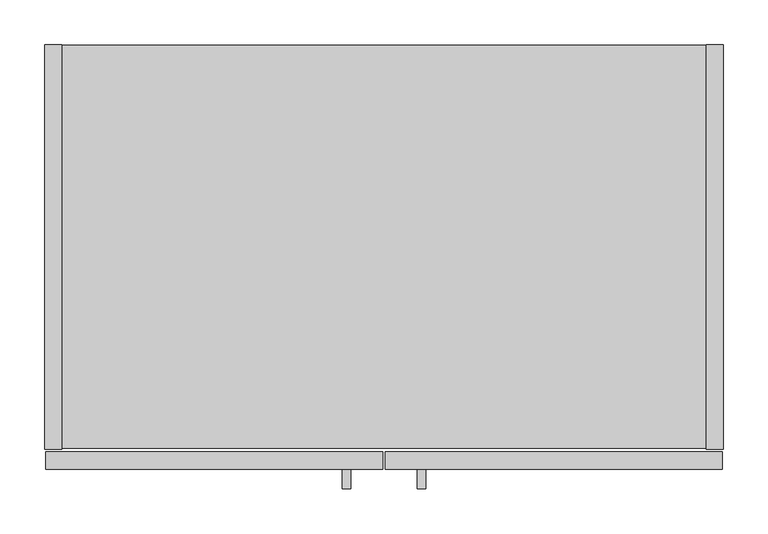
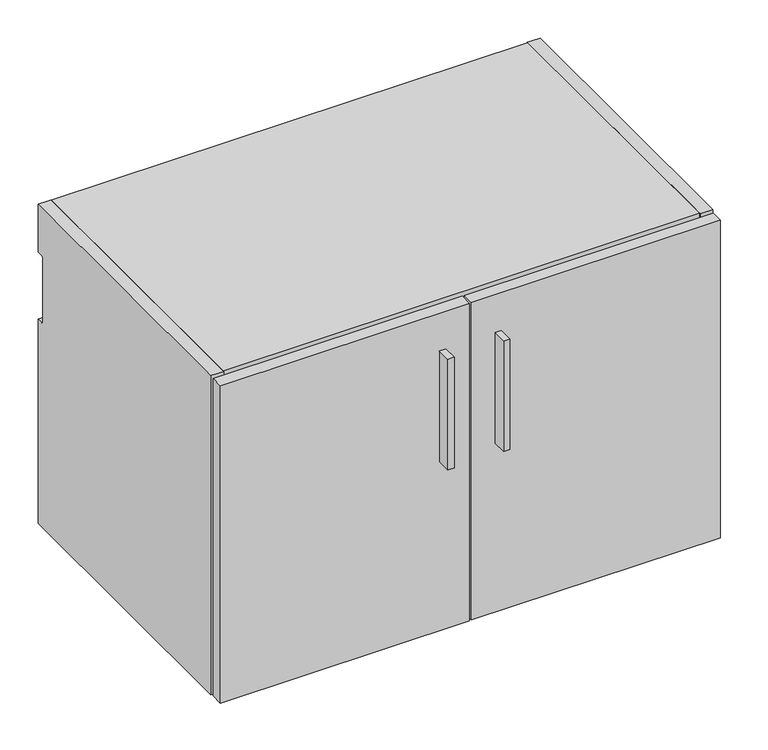
"""IFC4 building model written with IfcOpenShell, lengths in millimetres: furniture geometry."""

import ifcopenshell
import ifcopenshell.guid

model = None  # the IFC model being written
_history = None  # IfcOwnerHistory: only IFC2X3 demands one
_inside = {}  # id of a spatial element -> (the spatial element, [elements in it])
_under = {}  # id of a project, library or spatial element -> (it, [spatial elements below it])
_declared = {}  # id of a project -> (the project, [libraries it declares])
_typed = {}  # id of a type object -> (the type object, [elements of that type])
_made_of = {}  # id of a material, layer set ... -> (it, [elements and type objects made of it])


def new_model(schema):
    """Start an empty IFC model of exactly this schema.

    Asked for "IFC4X3", IfcOpenShell would pick the latest addendum, in which some entities
    have other attributes; the version numbers below select the first issue.
    IFC2X3 requires an IfcOwnerHistory on every rooted entity: one is made here for all.
    """
    global model, _history
    if schema == "IFC4X3":
        model = ifcopenshell.file(schema_version=(4, 3, 0, 0))
    else:
        model = ifcopenshell.file(schema=schema)
    _inside.clear()
    _under.clear()
    _declared.clear()
    _typed.clear()
    _made_of.clear()
    _history = None
    if model.schema == "IFC2X3":
        org = make("IfcOrganization", Name="unknown")
        user = make(
            "IfcPersonAndOrganization",
            ThePerson=make("IfcPerson", FamilyName="unknown"),
            TheOrganization=org,
        )
        app = make(
            "IfcApplication",
            ApplicationDeveloper=org,
            Version="unknown",
            ApplicationFullName="unknown",
            ApplicationIdentifier="unknown",
        )
        _history = make(
            "IfcOwnerHistory",
            OwningUser=user,
            OwningApplication=app,
            ChangeAction="ADDED",
            CreationDate=0,
        )
    return model


def make(cls, **values):
    """One entity of the class cls with the attributes given. An attribute that is None is left unset."""
    return model.create_entity(
        cls, **{name: value for name, value in values.items() if value is not None}
    )


def rooted(cls, **values):
    """An entity with a GlobalId (a new one), such as an element, a storey or a relation."""
    return make(cls, GlobalId=ifcopenshell.guid.new(), OwnerHistory=_history, **values)


def si_unit(unit_type, name, prefix=None):
    """IfcSIUnit, for example si_unit("LENGTHUNIT", "METRE", prefix="MILLI")."""
    return make("IfcSIUnit", UnitType=unit_type, Prefix=prefix, Name=name)


def assignment(units):
    """IfcUnitAssignment: the units of a project."""
    return None if units is None else make("IfcUnitAssignment", Units=units)


def point(xyz):
    """IfcCartesianPoint."""
    return None if xyz is None else make("IfcCartesianPoint", Coordinates=xyz)


def direction(xyz):
    """IfcDirection."""
    return None if xyz is None else make("IfcDirection", DirectionRatios=xyz)


def frame(location, z_axis=None, x_axis=None):
    """IfcAxis2Placement3D, a coordinate frame: its origin and axes. An axis left out is left unset."""
    return make(
        "IfcAxis2Placement3D",
        Location=point(location),
        Axis=direction(z_axis),
        RefDirection=direction(x_axis),
    )


def frame_2d(location, x_axis=None):
    """IfcAxis2Placement2D, a coordinate frame in the plane: its origin and x axis."""
    return make(
        "IfcAxis2Placement2D", Location=point(location), RefDirection=direction(x_axis)
    )


def origin():
    """The frame at (0, 0, 0) with its axes left unset."""
    return frame((0.0, 0.0, 0.0))


def place(relative_to, where):
    """IfcLocalPlacement: puts the frame where relative to a parent placement (None: the world)."""
    return make(
        "IfcLocalPlacement", PlacementRelTo=relative_to, RelativePlacement=where
    )


def context(
    kind, dimensions, precision=None, world=None, true_north=None, identifier=None
):
    """IfcGeometricRepresentationContext, for example the 3D "Model" context."""
    return make(
        "IfcGeometricRepresentationContext",
        ContextIdentifier=identifier,
        ContextType=kind,
        CoordinateSpaceDimension=dimensions,
        Precision=precision,
        WorldCoordinateSystem=world,
        TrueNorth=true_north,
    )


def project(units=None, contexts=None):
    """IfcProject with its units and contexts."""
    return rooted(
        "IfcProject",
        Name="project",
        RepresentationContexts=contexts,
        UnitsInContext=assignment(units),
    )


def spatial(cls, under=None, at=None, **own):
    """A site, building, storey or space (cls), placed at a placement, below another one or the project."""
    s = rooted(cls, ObjectPlacement=at, **own)
    if under is not None:
        _under.setdefault(under.id(), (under, []))[1].append(s)
    return s


def polyline(points):
    """IfcPolyline through the points."""
    return make("IfcPolyline", Points=[point(p) for p in points])


def circle_curve(where, radius):
    """IfcCircle in the frame where."""
    return make("IfcCircle", Position=where, Radius=radius)


def trimmed(basis, trim1, trim2, sense, master):
    """IfcTrimmedCurve: the piece of a basis curve between two trims."""
    return make(
        "IfcTrimmedCurve",
        BasisCurve=basis,
        Trim1=trim1,
        Trim2=trim2,
        SenseAgreement=sense,
        MasterRepresentation=master,
    )


def segment(curve, same_sense, transition):
    """IfcCompositeCurveSegment."""
    return make(
        "IfcCompositeCurveSegment",
        Transition=transition,
        SameSense=same_sense,
        ParentCurve=curve,
    )


def composite_curve(segments, self_intersect=None):
    """IfcCompositeCurve: segments joined end to end."""
    return make("IfcCompositeCurve", Segments=segments, SelfIntersect=self_intersect)


def outline(outer, holes=None, kind="AREA"):
    """IfcArbitraryClosedProfileDef: a profile drawn as a closed curve; with holes, ...WithVoids."""
    if holes is None:
        return make("IfcArbitraryClosedProfileDef", ProfileType=kind, OuterCurve=outer)
    return make(
        "IfcArbitraryProfileDefWithVoids",
        ProfileType=kind,
        OuterCurve=outer,
        InnerCurves=holes,
    )


def extrude(swept, where, along, depth):
    """IfcExtrudedAreaSolid: the profile swept, set in the frame where, extruded along a direction by depth."""
    return make(
        "IfcExtrudedAreaSolid",
        SweptArea=swept,
        Position=where,
        ExtrudedDirection=direction(along),
        Depth=depth,
    )


def shape(context_of_items, identifier, shape_type, items):
    """IfcShapeRepresentation: the items that make up one representation, for example the "Body"."""
    return make(
        "IfcShapeRepresentation",
        ContextOfItems=context_of_items,
        RepresentationIdentifier=identifier,
        RepresentationType=shape_type,
        Items=items,
    )


def source(mapping_origin, context_of_items, identifier, shape_type, items):
    """IfcRepresentationMap: a shape defined once, which mapped items show again and again."""
    return make(
        "IfcRepresentationMap",
        MappingOrigin=mapping_origin,
        MappedRepresentation=shape(context_of_items, identifier, shape_type, items),
    )


def transform(
    local_origin,
    x_axis=None,
    y_axis=None,
    z_axis=None,
    scale=None,
    scale2=None,
    scale3=None,
    uniform=True,
):
    """IfcCartesianTransformationOperator3D, or its non-uniform kind. x_axis, y_axis, z_axis: its Axis1, 2, 3."""
    if uniform:
        return make(
            "IfcCartesianTransformationOperator3D",
            Axis1=direction(x_axis),
            Axis2=direction(y_axis),
            LocalOrigin=point(local_origin),
            Scale=scale,
            Axis3=direction(z_axis),
        )
    return make(
        "IfcCartesianTransformationOperator3DnonUniform",
        Axis1=direction(x_axis),
        Axis2=direction(y_axis),
        LocalOrigin=point(local_origin),
        Scale=scale,
        Axis3=direction(z_axis),
        Scale2=scale2,
        Scale3=scale3,
    )


def mapped(mapping_source, mapping_target):
    """IfcMappedItem: shows the shape of a source again, moved by a transform."""
    return make(
        "IfcMappedItem", MappingSource=mapping_source, MappingTarget=mapping_target
    )


def made_of(thing, what):
    """Note that an element or type object is made of a material, layer set ...; save() writes the relation."""
    if what is not None:
        _made_of.setdefault(what.id(), (what, []))[1].append(thing)
    return thing


def element(
    cls,
    number,
    at=None,
    inside=None,
    cuts=None,
    type_object=None,
    material=None,
    context=None,
    identifier="Body",
    shape_type=None,
    held_by="IfcProductDefinitionShape",
    body=None,
    shapes=None,
    **own,
):
    """One element of the class cls, such as IfcWall. Its Tag is "e" and its number.

    at: its placement. inside: the storey or other place that contains it. cuts: it is an
    opening in that element (IfcRelVoidsElement). A single representation is given by context,
    identifier, shape_type and body (its items); several are given by shapes. held_by: the class
    of the entity that holds the representations. save() writes the other relations.
    """
    e = rooted(cls, Tag="e%d" % number, ObjectPlacement=at, **own)
    if body is not None:
        shapes = [shape(context, identifier, shape_type, body)]
    if shapes is not None:
        e.Representation = make(held_by, Representations=shapes)
    if inside is not None:
        _inside.setdefault(inside.id(), (inside, []))[1].append(e)
    if cuts is not None:
        rooted(
            "IfcRelVoidsElement", RelatingBuildingElement=cuts, RelatedOpeningElement=e
        )
    if type_object is not None:
        _typed.setdefault(type_object.id(), (type_object, []))[1].append(e)
    return made_of(e, material)


def aggregate(whole, parts):
    """IfcRelAggregates: a whole, such as a stair, and the parts it consists of."""
    return rooted("IfcRelAggregates", RelatingObject=whole, RelatedObjects=parts)


def save(model, path):
    """Write the relations noted so far, then the file.

    IfcRelAggregates (storeys below a building ...), IfcRelContainedInSpatialStructure (elements
    in a storey), IfcRelDefinesByType, IfcRelAssociatesMaterial and IfcRelDeclares: one each for
    every whole, place, type object, material and project.
    """
    for whole, parts in _under.values():
        aggregate(whole, parts)
    for where, things in _inside.values():
        rooted(
            "IfcRelContainedInSpatialStructure",
            RelatedElements=things,
            RelatingStructure=where,
        )
    for kind, things in _typed.values():
        rooted("IfcRelDefinesByType", RelatedObjects=things, RelatingType=kind)
    for what, things in _made_of.values():
        rooted("IfcRelAssociatesMaterial", RelatedObjects=things, RelatingMaterial=what)
    for by, libraries in _declared.values():
        rooted("IfcRelDeclares", RelatingContext=by, RelatedDefinitions=libraries)
    model.write(path)


def furniture_f1e97ca4(model_context):
    return source(origin(), model_context, "Body", "SweptSolid", [
        extrude(outline(polyline([(343.5338631, -498.729), (334.0088631, -498.729), (334.0088631, -476.504), (343.5338631, -476.504), (343.5338631, -498.729)])), frame((0.0, 0.0, 596.9), z_axis=(0.0, 0.0, 1.0), x_axis=(1.0, 0.0, 0.0)), (0.0, 0.0, 1.0), 177.8),
        extrude(outline(polyline([(427.9888631, -498.729), (418.4638631, -498.729), (418.4638631, -476.504), (427.9888631, -476.504), (427.9888631, -498.729)])), frame((0.0, 0.0, 596.9), z_axis=(0.0, 0.0, 1.0), x_axis=(1.0, 0.0, 0.0)), (0.0, 0.0, 1.0), 177.8),
        extrude(outline(polyline([(379.4125, -476.504), (1.5875, -476.504), (1.5875, -457.2), (379.4125, -457.2), (379.4125, -476.504)])), frame((0.0, 0.0, 325.628), z_axis=(0.0, 0.0, 1.0), x_axis=(1.0, 0.0, 0.0)), (0.0, 0.0, 1.0), 509.397),
        extrude(outline(polyline([(760.4125, -476.504), (382.5875, -476.504), (382.5875, -457.2), (760.4125, -457.2), (760.4125, -476.504)])), frame((0.0, 0.0, 325.628), z_axis=(0.0, 0.0, 1.0), x_axis=(1.0, 0.0, 0.0)), (0.0, 0.0, 1.0), 509.397),
        extrude(outline(composite_curve([segment(polyline([(-454.025, 838.2), (0.0, 838.2), (0.0, 761.492), (-9.3963729, 761.492)]), True, "CONTINUOUS"), segment(trimmed(circle_curve(frame_2d((-9.3963729, 758.1883729)), 3.3036271), [point((-9.3963729, 761.492))], [point((-12.7, 758.1883729))], True, "CARTESIAN"), True, "CONTINUOUS"), segment(polyline([(-12.7, 758.1883729), (-12.7, 656.844)]), True, "CONTINUOUS"), segment(trimmed(circle_curve(frame_2d((-9.398, 656.844)), 3.302), [point((-12.7, 656.844))], [point((-9.398, 653.542))], True, "CARTESIAN"), True, "CONTINUOUS"), segment(polyline([(-9.398, 653.542), (0.0, 653.542), (0.0, 325.628), (-454.025, 325.628), (-454.025, 838.2)]), True, "CONTINUOUS")], self_intersect=False)), frame((742.696, 0.0, 0.0), z_axis=(1.0, 0.0, 0.0), x_axis=(0.0, 1.0, 0.0)), (0.0, 0.0, 1.0), 19.304),
        extrude(outline(polyline([(742.696, -0.9906), (742.696, -453.0344), (19.304, -453.0344), (19.304, -0.9906), (742.696, -0.9906)])), frame((0.0, 0.0, 326.6186), z_axis=(0.0, 0.0, 1.0), x_axis=(1.0, 0.0, 0.0)), (0.0, 0.0, 1.0), 19.304),
        extrude(outline(composite_curve([segment(polyline([(-32.004, 818.896), (-11.938, 818.896), (-11.938, 760.2988429)]), True, "CONTINUOUS"), segment(trimmed(circle_curve(frame_2d((-9.3963729, 758.1883729)), 3.3036271), [point((-11.938, 760.2988429))], [point((-12.7, 758.1883729))], True, "CARTESIAN"), True, "CONTINUOUS"), segment(polyline([(-12.7, 758.1883729), (-12.7, 656.844)]), True, "CONTINUOUS"), segment(trimmed(circle_curve(frame_2d((-9.398, 656.844)), 3.302), [point((-12.7, 656.844))], [point((-11.938, 654.7341175))], True, "CARTESIAN"), True, "CONTINUOUS"), segment(polyline([(-11.938, 654.7341175), (-11.938, 345.9226), (-32.004, 345.9226), (-32.004, 818.896)]), True, "CONTINUOUS")], self_intersect=False)), frame((19.304, 0.0, 0.0), z_axis=(1.0, 0.0, 0.0), x_axis=(0.0, 1.0, 0.0)), (0.0, 0.0, 1.0), 723.392),
        extrude(outline(composite_curve([segment(polyline([(-454.025, 838.2), (0.0, 838.2), (0.0, 761.492), (-9.3963729, 761.492)]), True, "CONTINUOUS"), segment(trimmed(circle_curve(frame_2d((-9.3963729, 758.1883729)), 3.3036271), [point((-9.3963729, 761.492))], [point((-12.7, 758.1883729))], True, "CARTESIAN"), True, "CONTINUOUS"), segment(polyline([(-12.7, 758.1883729), (-12.7, 656.844)]), True, "CONTINUOUS"), segment(trimmed(circle_curve(frame_2d((-9.398, 656.844)), 3.302), [point((-12.7, 656.844))], [point((-9.398, 653.542))], True, "CARTESIAN"), True, "CONTINUOUS"), segment(polyline([(-9.398, 653.542), (0.0, 653.542), (0.0, 325.628), (-454.025, 325.628), (-454.025, 838.2)]), True, "CONTINUOUS")], self_intersect=False)), frame((0.0, 0.0, 0.0), z_axis=(1.0, 0.0, 0.0), x_axis=(0.0, 1.0, 0.0)), (0.0, 0.0, 1.0), 19.304),
        extrude(outline(polyline([(742.696, -453.0344), (19.304, -453.0344), (19.304, -0.9906), (742.696, -0.9906), (742.696, -453.0344)])), frame((0.0, 0.0, 818.896), z_axis=(0.0, 0.0, 1.0), x_axis=(1.0, 0.0, 0.0)), (0.0, 0.0, 1.0), 19.304),
    ])


if __name__ == "__main__":
    model = new_model("IFC4")
    model_context = context("Model", 3, world=origin())
    ifc_project = project(units=[si_unit("LENGTHUNIT", "METRE", prefix="MILLI")], contexts=[model_context])
    site = spatial("IfcSite", under=ifc_project)
    building = spatial("IfcBuilding", under=site)
    placement = place(None, origin())
    furniture_shape = furniture_f1e97ca4(model_context)
    element("IfcFurniture", 1, at=placement, inside=building, context=model_context, shape_type="MappedRepresentation", body=[
        mapped(furniture_shape, transform((0.0, 0.0, 0.0), x_axis=(1.0, 0.0, 0.0), y_axis=(0.0, 1.0, 0.0), z_axis=(0.0, 0.0, 1.0))),
    ])
    save(model, "model.ifc")
